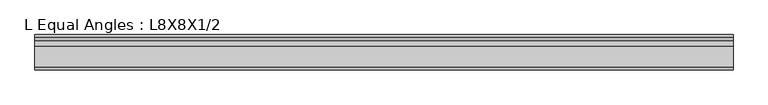
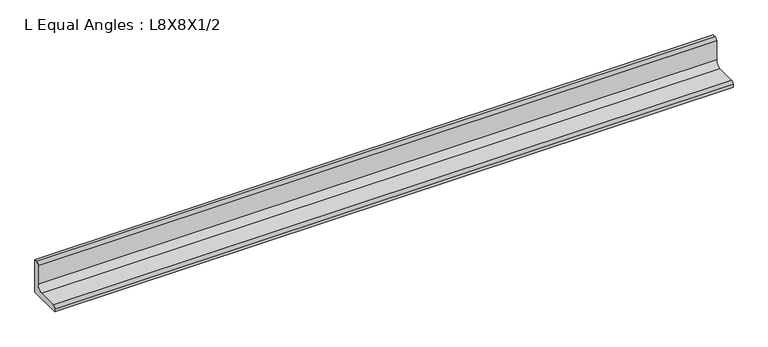
"""IFC4 building model written with IfcOpenShell, lengths in millimetres: beam geometry, L Equal Angles : L8X8X1/2."""

from ifc_helpers import new_model, si_unit, point, frame, frame_2d, origin, place, context, project, spatial, polyline, circle_curve, trimmed, segment, composite_curve, outline, extrude, source, transform, mapped, element, save


def l_equal_angles_l8x8x1_2_eb918758(model_context):
    return source(origin(), model_context, "Body", "SweptSolid", [
        extrude(outline(composite_curve([segment(polyline([(55.118, -55.118), (-21.082, -55.118), (-21.082, -48.768)]), True, "CONTINUOUS"), segment(trimmed(circle_curve(frame_2d((-14.732, -48.768)), 6.35), [point((-21.082, -48.768))], [point((-14.732, -42.418))], False, "CARTESIAN"), True, "CONTINUOUS"), segment(polyline([(-14.732, -42.418), (29.718, -42.418)]), True, "CONTINUOUS"), segment(trimmed(circle_curve(frame_2d((29.718, -29.718)), 12.7), [point((29.718, -42.418))], [point((42.418, -29.718))], True, "CARTESIAN"), True, "CONTINUOUS"), segment(polyline([(42.418, -29.718), (42.418, 14.732)]), True, "CONTINUOUS"), segment(trimmed(circle_curve(frame_2d((48.768, 14.732)), 6.35), [point((42.418, 14.732))], [point((48.768, 21.082))], False, "CARTESIAN"), True, "CONTINUOUS"), segment(polyline([(48.768, 21.082), (55.118, 21.082), (55.118, -55.118)]), True, "CONTINUOUS")], self_intersect=False)), frame((-735.7492737, 0.0, 0.0), z_axis=(1.0, 0.0, 0.0), x_axis=(0.0, 1.0, 0.0)), (0.0, 0.0, 1.0), 1505.078708),
    ])


if __name__ == "__main__":
    model = new_model("IFC4")
    model_context = context("Model", 3, world=origin())
    ifc_project = project(units=[si_unit("LENGTHUNIT", "METRE", prefix="MILLI")], contexts=[model_context])
    site = spatial("IfcSite", under=ifc_project)
    building = spatial("IfcBuilding", under=site)
    placement = place(None, origin())
    l_equal_angles_l8x8x1_2_shape = l_equal_angles_l8x8x1_2_eb918758(model_context)
    element("IfcBeam", 1, ObjectType="L Equal Angles : L8X8X1/2", at=placement, inside=building, context=model_context, shape_type="MappedRepresentation", body=[
        mapped(l_equal_angles_l8x8x1_2_shape, transform((0.0, 0.0, 0.0), x_axis=(1.0, 0.0, 0.0), y_axis=(0.0, 1.0, 0.0), z_axis=(0.0, 0.0, 1.0))),
    ])
    save(model, "model.ifc")
